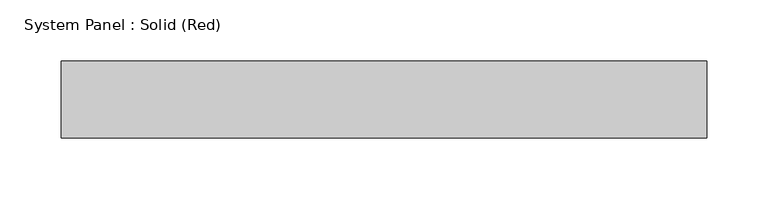
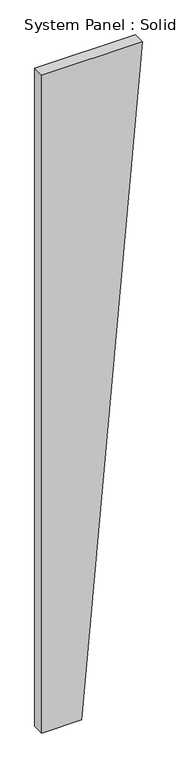
"""IFC4 building model written with IfcOpenShell, lengths in millimetres: plate geometry, System Panel : Solid (Red)."""

import ifcopenshell
import ifcopenshell.guid

model = None  # the IFC model being written
_history = None  # IfcOwnerHistory: only IFC2X3 demands one
_inside = {}  # id of a spatial element -> (the spatial element, [elements in it])
_under = {}  # id of a project, library or spatial element -> (it, [spatial elements below it])
_declared = {}  # id of a project -> (the project, [libraries it declares])
_typed = {}  # id of a type object -> (the type object, [elements of that type])
_made_of = {}  # id of a material, layer set ... -> (it, [elements and type objects made of it])


def new_model(schema):
    """Start an empty IFC model of exactly this schema.

    Asked for "IFC4X3", IfcOpenShell would pick the latest addendum, in which some entities
    have other attributes; the version numbers below select the first issue.
    IFC2X3 requires an IfcOwnerHistory on every rooted entity: one is made here for all.
    """
    global model, _history
    if schema == "IFC4X3":
        model = ifcopenshell.file(schema_version=(4, 3, 0, 0))
    else:
        model = ifcopenshell.file(schema=schema)
    _inside.clear()
    _under.clear()
    _declared.clear()
    _typed.clear()
    _made_of.clear()
    _history = None
    if model.schema == "IFC2X3":
        org = make("IfcOrganization", Name="unknown")
        user = make(
            "IfcPersonAndOrganization",
            ThePerson=make("IfcPerson", FamilyName="unknown"),
            TheOrganization=org,
        )
        app = make(
            "IfcApplication",
            ApplicationDeveloper=org,
            Version="unknown",
            ApplicationFullName="unknown",
            ApplicationIdentifier="unknown",
        )
        _history = make(
            "IfcOwnerHistory",
            OwningUser=user,
            OwningApplication=app,
            ChangeAction="ADDED",
            CreationDate=0,
        )
    return model


def make(cls, **values):
    """One entity of the class cls with the attributes given. An attribute that is None is left unset."""
    return model.create_entity(
        cls, **{name: value for name, value in values.items() if value is not None}
    )


def rooted(cls, **values):
    """An entity with a GlobalId (a new one), such as an element, a storey or a relation."""
    return make(cls, GlobalId=ifcopenshell.guid.new(), OwnerHistory=_history, **values)


def si_unit(unit_type, name, prefix=None):
    """IfcSIUnit, for example si_unit("LENGTHUNIT", "METRE", prefix="MILLI")."""
    return make("IfcSIUnit", UnitType=unit_type, Prefix=prefix, Name=name)


def assignment(units):
    """IfcUnitAssignment: the units of a project."""
    return None if units is None else make("IfcUnitAssignment", Units=units)


def point(xyz):
    """IfcCartesianPoint."""
    return None if xyz is None else make("IfcCartesianPoint", Coordinates=xyz)


def direction(xyz):
    """IfcDirection."""
    return None if xyz is None else make("IfcDirection", DirectionRatios=xyz)


def frame(location, z_axis=None, x_axis=None):
    """IfcAxis2Placement3D, a coordinate frame: its origin and axes. An axis left out is left unset."""
    return make(
        "IfcAxis2Placement3D",
        Location=point(location),
        Axis=direction(z_axis),
        RefDirection=direction(x_axis),
    )


def origin():
    """The frame at (0, 0, 0) with its axes left unset."""
    return frame((0.0, 0.0, 0.0))


def place(relative_to, where):
    """IfcLocalPlacement: puts the frame where relative to a parent placement (None: the world)."""
    return make(
        "IfcLocalPlacement", PlacementRelTo=relative_to, RelativePlacement=where
    )


def context(
    kind, dimensions, precision=None, world=None, true_north=None, identifier=None
):
    """IfcGeometricRepresentationContext, for example the 3D "Model" context."""
    return make(
        "IfcGeometricRepresentationContext",
        ContextIdentifier=identifier,
        ContextType=kind,
        CoordinateSpaceDimension=dimensions,
        Precision=precision,
        WorldCoordinateSystem=world,
        TrueNorth=true_north,
    )


def project(units=None, contexts=None):
    """IfcProject with its units and contexts."""
    return rooted(
        "IfcProject",
        Name="project",
        RepresentationContexts=contexts,
        UnitsInContext=assignment(units),
    )


def spatial(cls, under=None, at=None, **own):
    """A site, building, storey or space (cls), placed at a placement, below another one or the project."""
    s = rooted(cls, ObjectPlacement=at, **own)
    if under is not None:
        _under.setdefault(under.id(), (under, []))[1].append(s)
    return s


def polyline(points):
    """IfcPolyline through the points."""
    return make("IfcPolyline", Points=[point(p) for p in points])


def outline(outer, holes=None, kind="AREA"):
    """IfcArbitraryClosedProfileDef: a profile drawn as a closed curve; with holes, ...WithVoids."""
    if holes is None:
        return make("IfcArbitraryClosedProfileDef", ProfileType=kind, OuterCurve=outer)
    return make(
        "IfcArbitraryProfileDefWithVoids",
        ProfileType=kind,
        OuterCurve=outer,
        InnerCurves=holes,
    )


def extrude(swept, where, along, depth):
    """IfcExtrudedAreaSolid: the profile swept, set in the frame where, extruded along a direction by depth."""
    return make(
        "IfcExtrudedAreaSolid",
        SweptArea=swept,
        Position=where,
        ExtrudedDirection=direction(along),
        Depth=depth,
    )


def shape(context_of_items, identifier, shape_type, items):
    """IfcShapeRepresentation: the items that make up one representation, for example the "Body"."""
    return make(
        "IfcShapeRepresentation",
        ContextOfItems=context_of_items,
        RepresentationIdentifier=identifier,
        RepresentationType=shape_type,
        Items=items,
    )


def source(mapping_origin, context_of_items, identifier, shape_type, items):
    """IfcRepresentationMap: a shape defined once, which mapped items show again and again."""
    return make(
        "IfcRepresentationMap",
        MappingOrigin=mapping_origin,
        MappedRepresentation=shape(context_of_items, identifier, shape_type, items),
    )


def transform(
    local_origin,
    x_axis=None,
    y_axis=None,
    z_axis=None,
    scale=None,
    scale2=None,
    scale3=None,
    uniform=True,
):
    """IfcCartesianTransformationOperator3D, or its non-uniform kind. x_axis, y_axis, z_axis: its Axis1, 2, 3."""
    if uniform:
        return make(
            "IfcCartesianTransformationOperator3D",
            Axis1=direction(x_axis),
            Axis2=direction(y_axis),
            LocalOrigin=point(local_origin),
            Scale=scale,
            Axis3=direction(z_axis),
        )
    return make(
        "IfcCartesianTransformationOperator3DnonUniform",
        Axis1=direction(x_axis),
        Axis2=direction(y_axis),
        LocalOrigin=point(local_origin),
        Scale=scale,
        Axis3=direction(z_axis),
        Scale2=scale2,
        Scale3=scale3,
    )


def mapped(mapping_source, mapping_target):
    """IfcMappedItem: shows the shape of a source again, moved by a transform."""
    return make(
        "IfcMappedItem", MappingSource=mapping_source, MappingTarget=mapping_target
    )


def made_of(thing, what):
    """Note that an element or type object is made of a material, layer set ...; save() writes the relation."""
    if what is not None:
        _made_of.setdefault(what.id(), (what, []))[1].append(thing)
    return thing


def element(
    cls,
    number,
    at=None,
    inside=None,
    cuts=None,
    type_object=None,
    material=None,
    context=None,
    identifier="Body",
    shape_type=None,
    held_by="IfcProductDefinitionShape",
    body=None,
    shapes=None,
    **own,
):
    """One element of the class cls, such as IfcWall. Its Tag is "e" and its number.

    at: its placement. inside: the storey or other place that contains it. cuts: it is an
    opening in that element (IfcRelVoidsElement). A single representation is given by context,
    identifier, shape_type and body (its items); several are given by shapes. held_by: the class
    of the entity that holds the representations. save() writes the other relations.
    """
    e = rooted(cls, Tag="e%d" % number, ObjectPlacement=at, **own)
    if body is not None:
        shapes = [shape(context, identifier, shape_type, body)]
    if shapes is not None:
        e.Representation = make(held_by, Representations=shapes)
    if inside is not None:
        _inside.setdefault(inside.id(), (inside, []))[1].append(e)
    if cuts is not None:
        rooted(
            "IfcRelVoidsElement", RelatingBuildingElement=cuts, RelatedOpeningElement=e
        )
    if type_object is not None:
        _typed.setdefault(type_object.id(), (type_object, []))[1].append(e)
    return made_of(e, material)


def aggregate(whole, parts):
    """IfcRelAggregates: a whole, such as a stair, and the parts it consists of."""
    return rooted("IfcRelAggregates", RelatingObject=whole, RelatedObjects=parts)


def save(model, path):
    """Write the relations noted so far, then the file.

    IfcRelAggregates (storeys below a building ...), IfcRelContainedInSpatialStructure (elements
    in a storey), IfcRelDefinesByType, IfcRelAssociatesMaterial and IfcRelDeclares: one each for
    every whole, place, type object, material and project.
    """
    for whole, parts in _under.values():
        aggregate(whole, parts)
    for where, things in _inside.values():
        rooted(
            "IfcRelContainedInSpatialStructure",
            RelatedElements=things,
            RelatingStructure=where,
        )
    for kind, things in _typed.values():
        rooted("IfcRelDefinesByType", RelatedObjects=things, RelatingType=kind)
    for what, things in _made_of.values():
        rooted("IfcRelAssociatesMaterial", RelatedObjects=things, RelatingMaterial=what)
    for by, libraries in _declared.values():
        rooted("IfcRelDeclares", RelatingContext=by, RelatedDefinitions=libraries)
    model.write(path)


def system_panel_solid_red_6db6104f(model_context):
    return source(origin(), model_context, "Body", "SweptSolid", [
        extrude(outline(polyline([(0.0, -264.6947367), (0.0, -56.1473686), (3657.6, 264.6947367), (3657.6, -264.6947367), (0.0, -264.6947367)])), frame((0.0, -19.05, 0.0), z_axis=(0.0, 1.0, 0.0), x_axis=(0.0, 0.0, 1.0)), (0.0, 0.0, 1.0), 63.5),
    ])


if __name__ == "__main__":
    model = new_model("IFC4")
    model_context = context("Model", 3, world=origin())
    ifc_project = project(units=[si_unit("LENGTHUNIT", "METRE", prefix="MILLI")], contexts=[model_context])
    site = spatial("IfcSite", under=ifc_project)
    building = spatial("IfcBuilding", under=site)
    placement = place(None, origin())
    system_panel_solid_red_shape = system_panel_solid_red_6db6104f(model_context)
    element("IfcPlate", 1, ObjectType="System Panel : Solid (Red)", at=placement, inside=building, context=model_context, shape_type="MappedRepresentation", body=[
        mapped(system_panel_solid_red_shape, transform((0.0, 0.0, 0.0), x_axis=(1.0, 0.0, 0.0), y_axis=(0.0, 1.0, 0.0), z_axis=(0.0, 0.0, 1.0))),
    ])
    save(model, "model.ifc")
